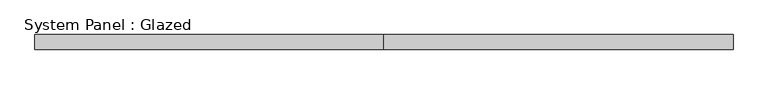
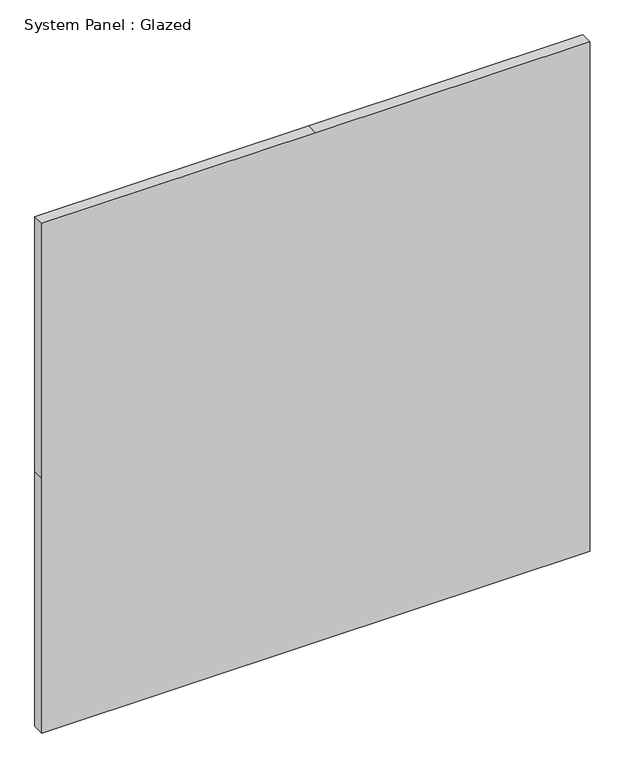
"""IFC4 building model written with IfcOpenShell, lengths in millimetres: plate geometry, System Panel : Glazed."""

from ifc_helpers import new_model, si_unit, frame, origin, place, context, project, spatial, polyline, outline, extrude, source, transform, mapped, element, save


def system_panel_glazed_4932a62a(model_context):
    return source(origin(), model_context, "Body", "SweptSolid", [
        extrude(outline(polyline([(0.0, -588.01), (0.0, 0.0), (0.0, 588.01), (577.85, 588.01), (1155.7, 588.01), (1155.7, 0.0), (1155.7, -588.01), (577.85, -588.01), (0.0, -588.01)])), frame((0.0, 19.05, 0.0), z_axis=(0.0, 1.0, 0.0), x_axis=(0.0, 0.0, 1.0)), (0.0, 0.0, 1.0), 25.4),
    ])


if __name__ == "__main__":
    model = new_model("IFC4")
    model_context = context("Model", 3, world=origin())
    ifc_project = project(units=[si_unit("LENGTHUNIT", "METRE", prefix="MILLI")], contexts=[model_context])
    site = spatial("IfcSite", under=ifc_project)
    building = spatial("IfcBuilding", under=site)
    placement = place(None, origin())
    system_panel_glazed_shape = system_panel_glazed_4932a62a(model_context)
    element("IfcPlate", 1, ObjectType="System Panel : Glazed", at=placement, inside=building, context=model_context, shape_type="MappedRepresentation", body=[
        mapped(system_panel_glazed_shape, transform((0.0, 0.0, 0.0), x_axis=(1.0, 0.0, 0.0), y_axis=(0.0, 1.0, 0.0), z_axis=(0.0, 0.0, 1.0))),
    ])
    save(model, "model.ifc")
